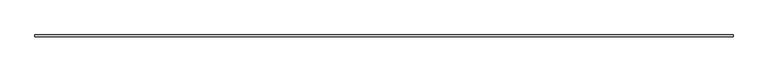
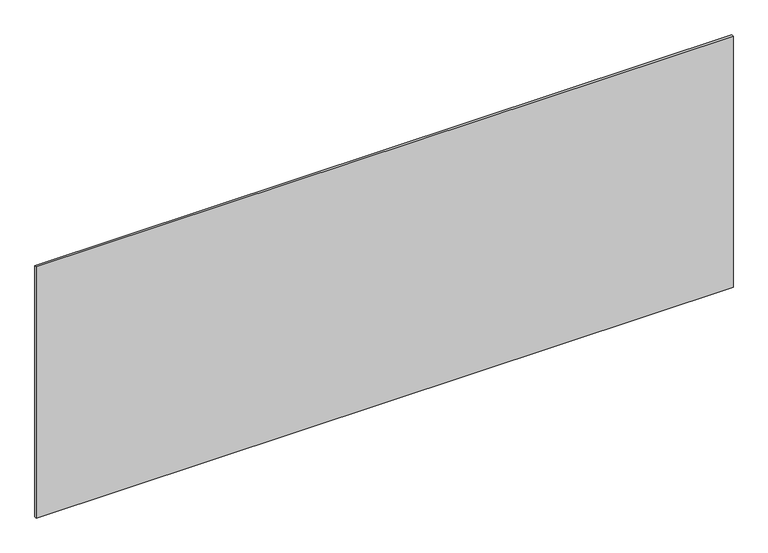
"""IFC4 building model written with IfcOpenShell, lengths in millimetres: plate geometry."""

from ifc_helpers import new_model, si_unit, origin, origin_with_axes, place, context, project, spatial, polyline, outline, extrude, source, transform, mapped, element, save


def plate_be84c9a7(model_context):
    return source(origin(), model_context, "Body", "SweptSolid", [
        extrude(outline(polyline([(1697.5, -5.0), (-1697.5, -5.0), (-1697.5, 5.0), (1697.5, 5.0), (1697.5, -5.0)])), origin_with_axes(), (0.0, 0.0, 1.0), 1293.3001073),
    ])


if __name__ == "__main__":
    model = new_model("IFC4")
    model_context = context("Model", 3, world=origin())
    ifc_project = project(units=[si_unit("LENGTHUNIT", "METRE", prefix="MILLI")], contexts=[model_context])
    site = spatial("IfcSite", under=ifc_project)
    building = spatial("IfcBuilding", under=site)
    placement = place(None, origin())
    plate_shape = plate_be84c9a7(model_context)
    element("IfcPlate", 1, at=placement, inside=building, context=model_context, shape_type="MappedRepresentation", body=[
        mapped(plate_shape, transform((0.0, 0.0, 0.0), x_axis=(1.0, 0.0, 0.0), y_axis=(0.0, 1.0, 0.0), z_axis=(0.0, 0.0, 1.0))),
    ])
    save(model, "model.ifc")
